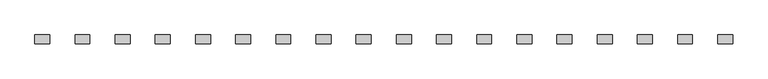
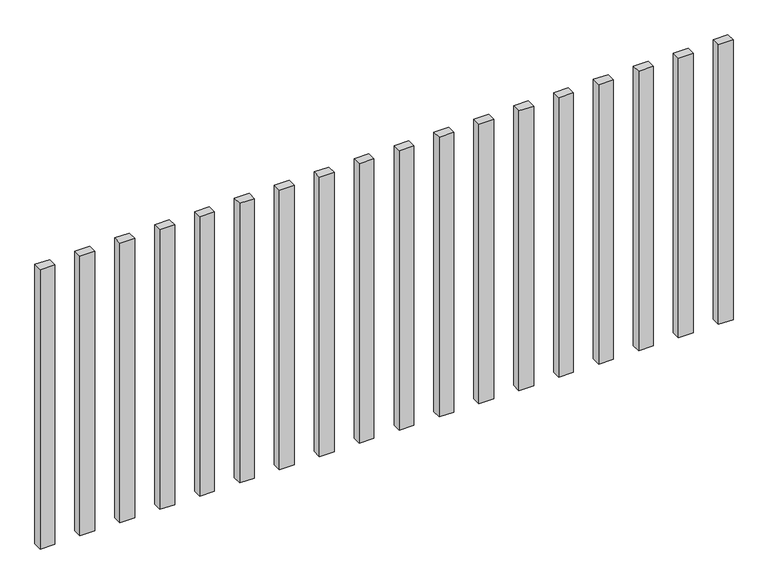
"""IFC4 building model written with IfcOpenShell, lengths in millimetres: railing geometry."""

from ifc_helpers import new_model, si_unit, origin, origin_with_axes, place, context, project, spatial, polyline, outline, extrude, source, transform, mapped, element, save


def railing_95fe1914(model_context):
    return source(origin(), model_context, "Body", "SweptSolid", [
        extrude(outline(polyline([(-5907.5700772, -88944.0267127), (-5907.5700772, -88914.0267127), (-5857.5700772, -88914.0267127), (-5857.5700772, -88944.0267127), (-5907.5700772, -88944.0267127)])), origin_with_axes(), (0.0, 0.0, 1.0), 1000.0),
        extrude(outline(polyline([(-6042.5700772, -88944.0267127), (-6042.5700772, -88914.0267127), (-5992.5700772, -88914.0267127), (-5992.5700772, -88944.0267127), (-6042.5700772, -88944.0267127)])), origin_with_axes(), (0.0, 0.0, 1.0), 1000.0),
        extrude(outline(polyline([(-6177.5700772, -88944.0267127), (-6177.5700772, -88914.0267127), (-6127.5700772, -88914.0267127), (-6127.5700772, -88944.0267127), (-6177.5700772, -88944.0267127)])), origin_with_axes(), (0.0, 0.0, 1.0), 1000.0),
        extrude(outline(polyline([(-6312.5700772, -88944.0267127), (-6312.5700772, -88914.0267127), (-6262.5700772, -88914.0267127), (-6262.5700772, -88944.0267127), (-6312.5700772, -88944.0267127)])), origin_with_axes(), (0.0, 0.0, 1.0), 1000.0),
        extrude(outline(polyline([(-6447.5700772, -88944.0267127), (-6447.5700772, -88914.0267127), (-6397.5700772, -88914.0267127), (-6397.5700772, -88944.0267127), (-6447.5700772, -88944.0267127)])), origin_with_axes(), (0.0, 0.0, 1.0), 1000.0),
        extrude(outline(polyline([(-6582.5700772, -88944.0267127), (-6582.5700772, -88914.0267127), (-6532.5700772, -88914.0267127), (-6532.5700772, -88944.0267127), (-6582.5700772, -88944.0267127)])), origin_with_axes(), (0.0, 0.0, 1.0), 1000.0),
        extrude(outline(polyline([(-6717.5700772, -88944.0267127), (-6717.5700772, -88914.0267127), (-6667.5700772, -88914.0267127), (-6667.5700772, -88944.0267127), (-6717.5700772, -88944.0267127)])), origin_with_axes(), (0.0, 0.0, 1.0), 1000.0),
        extrude(outline(polyline([(-6852.5700772, -88944.0267127), (-6852.5700772, -88914.0267127), (-6802.5700772, -88914.0267127), (-6802.5700772, -88944.0267127), (-6852.5700772, -88944.0267127)])), origin_with_axes(), (0.0, 0.0, 1.0), 1000.0),
        extrude(outline(polyline([(-6987.5700772, -88944.0267127), (-6987.5700772, -88914.0267127), (-6937.5700772, -88914.0267127), (-6937.5700772, -88944.0267127), (-6987.5700772, -88944.0267127)])), origin_with_axes(), (0.0, 0.0, 1.0), 1000.0),
        extrude(outline(polyline([(-7122.5700772, -88944.0267127), (-7122.5700772, -88914.0267127), (-7072.5700772, -88914.0267127), (-7072.5700772, -88944.0267127), (-7122.5700772, -88944.0267127)])), origin_with_axes(), (0.0, 0.0, 1.0), 1000.0),
        extrude(outline(polyline([(-7257.5700772, -88944.0267127), (-7257.5700772, -88914.0267127), (-7207.5700772, -88914.0267127), (-7207.5700772, -88944.0267127), (-7257.5700772, -88944.0267127)])), origin_with_axes(), (0.0, 0.0, 1.0), 1000.0),
        extrude(outline(polyline([(-7392.5700772, -88944.0267127), (-7392.5700772, -88914.0267127), (-7342.5700772, -88914.0267127), (-7342.5700772, -88944.0267127), (-7392.5700772, -88944.0267127)])), origin_with_axes(), (0.0, 0.0, 1.0), 1000.0),
        extrude(outline(polyline([(-7527.5700772, -88944.0267127), (-7527.5700772, -88914.0267127), (-7477.5700772, -88914.0267127), (-7477.5700772, -88944.0267127), (-7527.5700772, -88944.0267127)])), origin_with_axes(), (0.0, 0.0, 1.0), 1000.0),
        extrude(outline(polyline([(-7662.5700772, -88944.0267127), (-7662.5700772, -88914.0267127), (-7612.5700772, -88914.0267127), (-7612.5700772, -88944.0267127), (-7662.5700772, -88944.0267127)])), origin_with_axes(), (0.0, 0.0, 1.0), 1000.0),
        extrude(outline(polyline([(-7797.5700772, -88944.0267127), (-7797.5700772, -88914.0267127), (-7747.5700772, -88914.0267127), (-7747.5700772, -88944.0267127), (-7797.5700772, -88944.0267127)])), origin_with_axes(), (0.0, 0.0, 1.0), 1000.0),
        extrude(outline(polyline([(-7932.5700772, -88944.0267127), (-7932.5700772, -88914.0267127), (-7882.5700772, -88914.0267127), (-7882.5700772, -88944.0267127), (-7932.5700772, -88944.0267127)])), origin_with_axes(), (0.0, 0.0, 1.0), 1000.0),
        extrude(outline(polyline([(-8067.5700772, -88944.0267127), (-8067.5700772, -88914.0267127), (-8017.5700772, -88914.0267127), (-8017.5700772, -88944.0267127), (-8067.5700772, -88944.0267127)])), origin_with_axes(), (0.0, 0.0, 1.0), 1000.0),
        extrude(outline(polyline([(-8202.5700772, -88944.0267127), (-8202.5700772, -88914.0267127), (-8152.5700772, -88914.0267127), (-8152.5700772, -88944.0267127), (-8202.5700772, -88944.0267127)])), origin_with_axes(), (0.0, 0.0, 1.0), 1000.0),
    ])


if __name__ == "__main__":
    model = new_model("IFC4")
    model_context = context("Model", 3, world=origin())
    ifc_project = project(units=[si_unit("LENGTHUNIT", "METRE", prefix="MILLI")], contexts=[model_context])
    site = spatial("IfcSite", under=ifc_project)
    building = spatial("IfcBuilding", under=site)
    placement = place(None, origin())
    railing_shape = railing_95fe1914(model_context)
    element("IfcRailing", 1, at=placement, inside=building, context=model_context, shape_type="MappedRepresentation", body=[
        mapped(railing_shape, transform((0.0, 0.0, 0.0), x_axis=(1.0, 0.0, 0.0), y_axis=(0.0, 1.0, 0.0), z_axis=(0.0, 0.0, 1.0))),
    ])
    save(model, "model.ifc")
